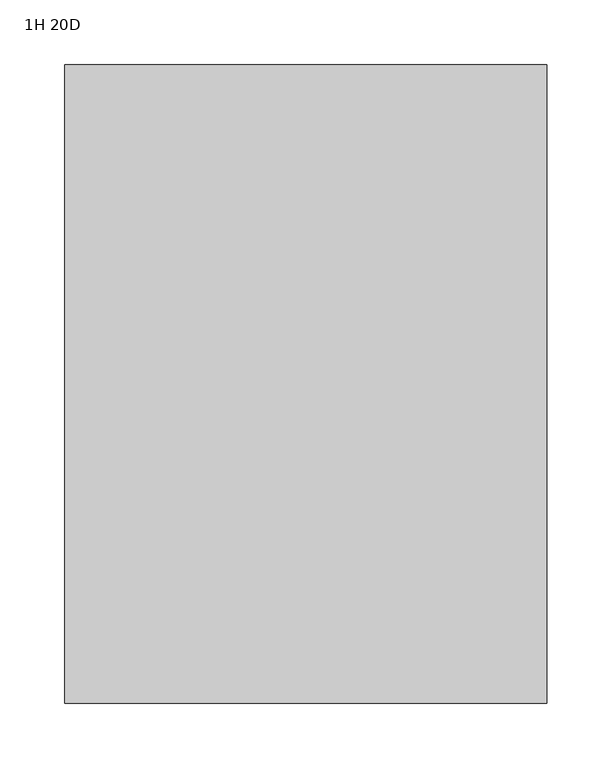
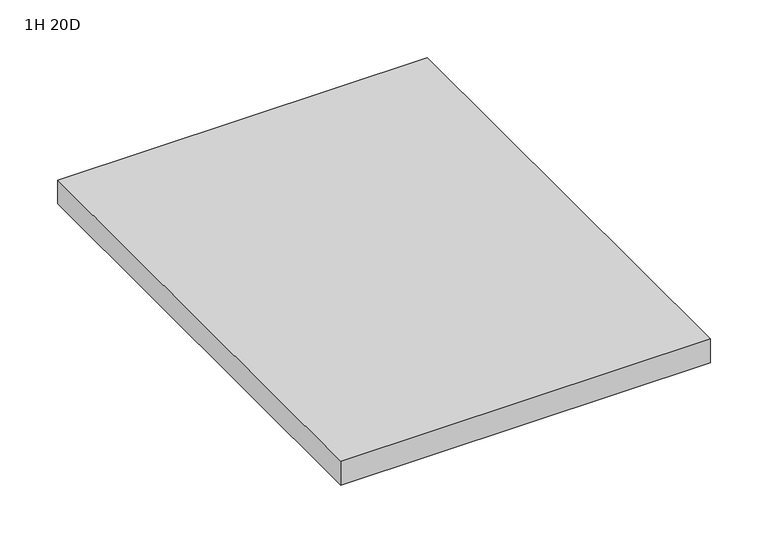
"""IFC4 building model written with IfcOpenShell, lengths in millimetres: furniture geometry, 1H 20D."""

from ifc_helpers import new_model, si_unit, frame, origin, place, context, project, spatial, polyline, outline, extrude, source, transform, mapped, element, save


def furniture_1h_20d_c212e74d(model_context):
    return source(origin(), model_context, "Body", "SweptSolid", [
        extrude(outline(polyline([(-288.925, 440.563), (-288.925, -51.562), (-660.4, -51.562), (-660.4, 440.563), (-288.925, 440.563)])), frame((0.0, 0.0, 543.56), z_axis=(0.0, 0.0, 1.0), x_axis=(1.0, 0.0, 0.0)), (0.0, 0.0, 1.0), 25.4),
    ])


if __name__ == "__main__":
    model = new_model("IFC4")
    model_context = context("Model", 3, world=origin())
    ifc_project = project(units=[si_unit("LENGTHUNIT", "METRE", prefix="MILLI")], contexts=[model_context])
    site = spatial("IfcSite", under=ifc_project)
    building = spatial("IfcBuilding", under=site)
    placement = place(None, origin())
    furniture_1h_20d_shape = furniture_1h_20d_c212e74d(model_context)
    element("IfcFurniture", 1, ObjectType="1H 20D", at=placement, inside=building, context=model_context, shape_type="MappedRepresentation", body=[
        mapped(furniture_1h_20d_shape, transform((0.0, 0.0, 0.0), x_axis=(1.0, 0.0, 0.0), y_axis=(0.0, 1.0, 0.0), z_axis=(0.0, 0.0, 1.0))),
    ])
    save(model, "model.ifc")
